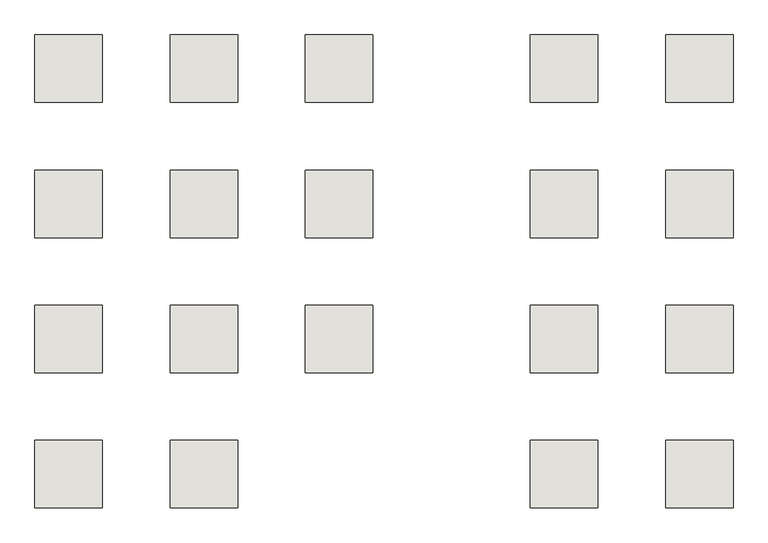
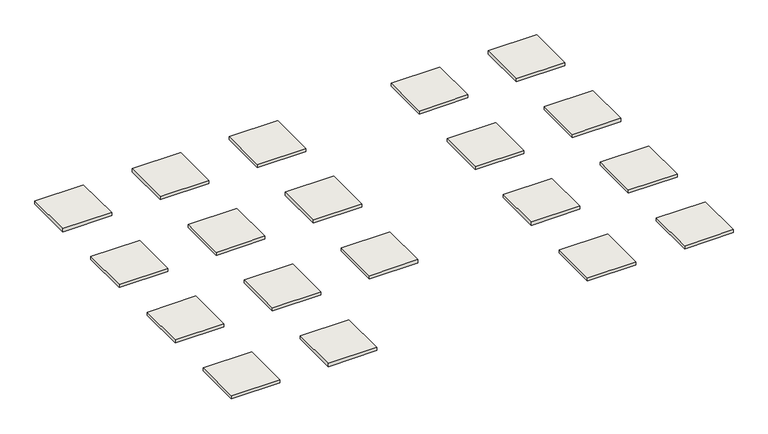
"""IFC4 building model written with IfcOpenShell, lengths in millimetres: wall geometry."""

from ifc_helpers import new_model, si_unit, origin, origin_with_axes, place, context, project, spatial, polyline, outline, extrude, source, transform, mapped, element, save


def wall_35083553(model_context):
    return source(origin(), model_context, "Body", "SweptSolid", [
        extrude(outline(polyline([(1500.0, 10500.0), (1500.0, 9000.0), (0.0, 9000.0), (0.0, 10500.0), (1500.0, 10500.0)])), origin_with_axes(), (0.0, 0.0, 1.0), 100.0),
        extrude(outline(polyline([(1500.0, 7500.0), (1500.0, 6000.0), (0.0, 6000.0), (0.0, 7500.0), (1500.0, 7500.0)])), origin_with_axes(), (0.0, 0.0, 1.0), 100.0),
        extrude(outline(polyline([(1500.0, 4500.0), (1500.0, 3000.0), (0.0, 3000.0), (0.0, 4500.0), (1500.0, 4500.0)])), origin_with_axes(), (0.0, 0.0, 1.0), 100.0),
        extrude(outline(polyline([(1500.0, 1500.0), (1500.0, 0.0), (0.0, 0.0), (0.0, 1500.0), (1500.0, 1500.0)])), origin_with_axes(), (0.0, 0.0, 1.0), 100.0),
        extrude(outline(polyline([(4500.0, 10500.0), (4500.0, 9000.0), (3000.0, 9000.0), (3000.0, 10500.0), (4500.0, 10500.0)])), origin_with_axes(), (0.0, 0.0, 1.0), 100.0),
        extrude(outline(polyline([(4500.0, 7500.0), (4500.0, 6000.0), (3000.0, 6000.0), (3000.0, 7500.0), (4500.0, 7500.0)])), origin_with_axes(), (0.0, 0.0, 1.0), 100.0),
        extrude(outline(polyline([(4500.0, 4500.0), (4500.0, 3000.0), (3000.0, 3000.0), (3000.0, 4500.0), (4500.0, 4500.0)])), origin_with_axes(), (0.0, 0.0, 1.0), 100.0),
        extrude(outline(polyline([(4500.0, 1500.0), (4500.0, 0.0), (3000.0, 0.0), (3000.0, 1500.0), (4500.0, 1500.0)])), origin_with_axes(), (0.0, 0.0, 1.0), 100.0),
        extrude(outline(polyline([(15500.0, 10500.0), (15500.0, 9000.0), (14000.0, 9000.0), (14000.0, 10500.0), (15500.0, 10500.0)])), origin_with_axes(), (0.0, 0.0, 1.0), 100.0),
        extrude(outline(polyline([(15500.0, 7500.0), (15500.0, 6000.0), (14000.0, 6000.0), (14000.0, 7500.0), (15500.0, 7500.0)])), origin_with_axes(), (0.0, 0.0, 1.0), 100.0),
        extrude(outline(polyline([(15500.0, 4500.0), (15500.0, 3000.0), (14000.0, 3000.0), (14000.0, 4500.0), (15500.0, 4500.0)])), origin_with_axes(), (0.0, 0.0, 1.0), 100.0),
        extrude(outline(polyline([(15500.0, 1500.0), (15500.0, 0.0), (14000.0, 0.0), (14000.0, 1500.0), (15500.0, 1500.0)])), origin_with_axes(), (0.0, 0.0, 1.0), 100.0),
        extrude(outline(polyline([(12500.0, 10500.0), (12500.0, 9000.0), (11000.0, 9000.0), (11000.0, 10500.0), (12500.0, 10500.0)])), origin_with_axes(), (0.0, 0.0, 1.0), 100.0),
        extrude(outline(polyline([(12500.0, 7500.0), (12500.0, 6000.0), (11000.0, 6000.0), (11000.0, 7500.0), (12500.0, 7500.0)])), origin_with_axes(), (0.0, 0.0, 1.0), 100.0),
        extrude(outline(polyline([(12500.0, 4500.0), (12500.0, 3000.0), (11000.0, 3000.0), (11000.0, 4500.0), (12500.0, 4500.0)])), origin_with_axes(), (0.0, 0.0, 1.0), 100.0),
        extrude(outline(polyline([(12500.0, 1500.0), (12500.0, 0.0), (11000.0, 0.0), (11000.0, 1500.0), (12500.0, 1500.0)])), origin_with_axes(), (0.0, 0.0, 1.0), 100.0),
        extrude(outline(polyline([(7500.0, 10500.0), (7500.0, 9000.0), (6000.0, 9000.0), (6000.0, 10500.0), (7500.0, 10500.0)])), origin_with_axes(), (0.0, 0.0, 1.0), 100.0),
        extrude(outline(polyline([(7500.0, 7500.0), (7500.0, 6000.0), (6000.0, 6000.0), (6000.0, 7500.0), (7500.0, 7500.0)])), origin_with_axes(), (0.0, 0.0, 1.0), 100.0),
        extrude(outline(polyline([(7500.0, 4500.0), (7500.0, 3000.0), (6000.0, 3000.0), (6000.0, 4500.0), (7500.0, 4500.0)])), origin_with_axes(), (0.0, 0.0, 1.0), 100.0),
    ])


if __name__ == "__main__":
    model = new_model("IFC4")
    model_context = context("Model", 3, world=origin())
    ifc_project = project(units=[si_unit("LENGTHUNIT", "METRE", prefix="MILLI")], contexts=[model_context])
    site = spatial("IfcSite", under=ifc_project)
    building = spatial("IfcBuilding", under=site)
    placement = place(None, origin())
    wall_shape = wall_35083553(model_context)
    element("IfcWall", 1, at=placement, inside=building, context=model_context, shape_type="MappedRepresentation", body=[
        mapped(wall_shape, transform((0.0, 0.0, 0.0), x_axis=(1.0, 0.0, 0.0), y_axis=(0.0, 1.0, 0.0), z_axis=(0.0, 0.0, 1.0))),
    ])
    save(model, "model.ifc")
